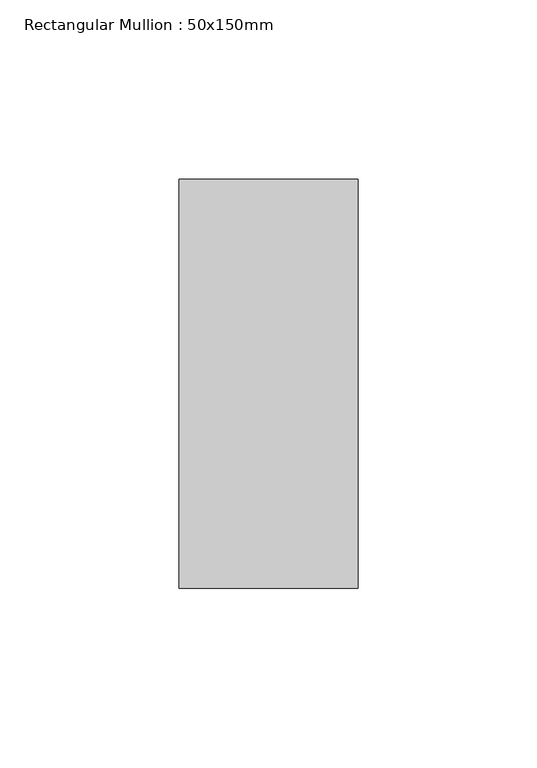
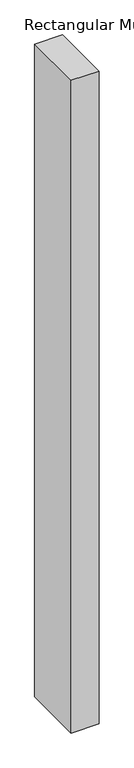
"""IFC4 building model written with IfcOpenShell, lengths in millimetres: member geometry, Rectangular Mullion : 50x150mm."""

from ifc_helpers import new_model, si_unit, frame, origin, place, context, project, spatial, polyline, outline, extrude, source, transform, mapped, element, save


def rectangular_mullion_50x150mm_2d7f6c4e(model_context):
    return source(origin(), model_context, "Body", "SweptSolid", [
        extrude(outline(polyline([(0.0, 57.15), (0.0, -57.15), (-50.0, -57.15), (-50.0, 57.15), (0.0, 57.15)])), frame((0.0, 0.0, -1245.4), z_axis=(0.0, 0.0, 1.0), x_axis=(1.0, 0.0, 0.0)), (0.0, 0.0, 1.0), 1245.4),
    ])


if __name__ == "__main__":
    model = new_model("IFC4")
    model_context = context("Model", 3, world=origin())
    ifc_project = project(units=[si_unit("LENGTHUNIT", "METRE", prefix="MILLI")], contexts=[model_context])
    site = spatial("IfcSite", under=ifc_project)
    building = spatial("IfcBuilding", under=site)
    placement = place(None, origin())
    rectangular_mullion_50x150mm_shape = rectangular_mullion_50x150mm_2d7f6c4e(model_context)
    element("IfcMember", 1, ObjectType="Rectangular Mullion : 50x150mm", at=placement, inside=building, context=model_context, shape_type="MappedRepresentation", body=[
        mapped(rectangular_mullion_50x150mm_shape, transform((0.0, 0.0, 0.0), x_axis=(1.0, 0.0, 0.0), y_axis=(0.0, 1.0, 0.0), z_axis=(0.0, 0.0, 1.0))),
    ])
    save(model, "model.ifc")
